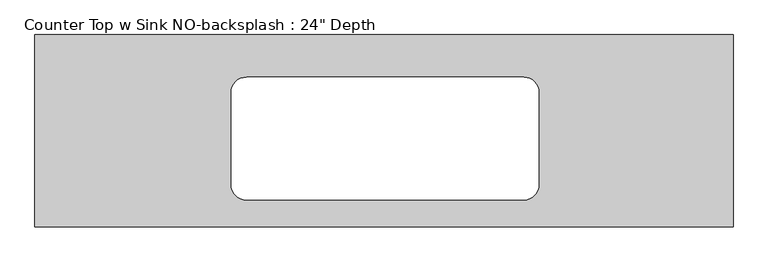
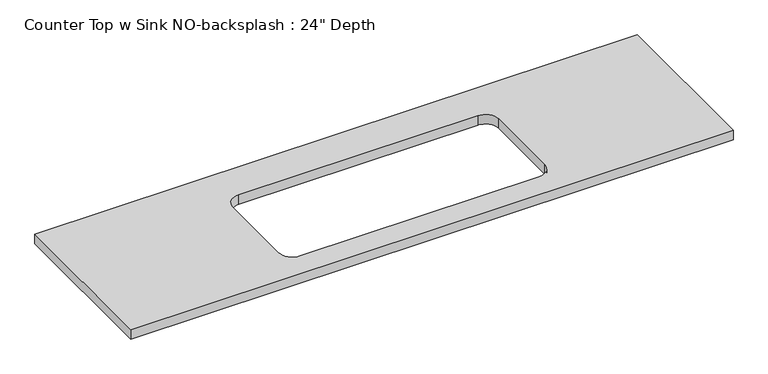
"""IFC4 building model written with IfcOpenShell, lengths in millimetres: furniture geometry."""

import ifcopenshell
import ifcopenshell.guid

model = None  # the IFC model being written
_history = None  # IfcOwnerHistory: only IFC2X3 demands one
_inside = {}  # id of a spatial element -> (the spatial element, [elements in it])
_under = {}  # id of a project, library or spatial element -> (it, [spatial elements below it])
_declared = {}  # id of a project -> (the project, [libraries it declares])
_typed = {}  # id of a type object -> (the type object, [elements of that type])
_made_of = {}  # id of a material, layer set ... -> (it, [elements and type objects made of it])


def new_model(schema):
    """Start an empty IFC model of exactly this schema.

    Asked for "IFC4X3", IfcOpenShell would pick the latest addendum, in which some entities
    have other attributes; the version numbers below select the first issue.
    IFC2X3 requires an IfcOwnerHistory on every rooted entity: one is made here for all.
    """
    global model, _history
    if schema == "IFC4X3":
        model = ifcopenshell.file(schema_version=(4, 3, 0, 0))
    else:
        model = ifcopenshell.file(schema=schema)
    _inside.clear()
    _under.clear()
    _declared.clear()
    _typed.clear()
    _made_of.clear()
    _history = None
    if model.schema == "IFC2X3":
        org = make("IfcOrganization", Name="unknown")
        user = make(
            "IfcPersonAndOrganization",
            ThePerson=make("IfcPerson", FamilyName="unknown"),
            TheOrganization=org,
        )
        app = make(
            "IfcApplication",
            ApplicationDeveloper=org,
            Version="unknown",
            ApplicationFullName="unknown",
            ApplicationIdentifier="unknown",
        )
        _history = make(
            "IfcOwnerHistory",
            OwningUser=user,
            OwningApplication=app,
            ChangeAction="ADDED",
            CreationDate=0,
        )
    return model


def make(cls, **values):
    """One entity of the class cls with the attributes given. An attribute that is None is left unset."""
    return model.create_entity(
        cls, **{name: value for name, value in values.items() if value is not None}
    )


def rooted(cls, **values):
    """An entity with a GlobalId (a new one), such as an element, a storey or a relation."""
    return make(cls, GlobalId=ifcopenshell.guid.new(), OwnerHistory=_history, **values)


def si_unit(unit_type, name, prefix=None):
    """IfcSIUnit, for example si_unit("LENGTHUNIT", "METRE", prefix="MILLI")."""
    return make("IfcSIUnit", UnitType=unit_type, Prefix=prefix, Name=name)


def assignment(units):
    """IfcUnitAssignment: the units of a project."""
    return None if units is None else make("IfcUnitAssignment", Units=units)


def point(xyz):
    """IfcCartesianPoint."""
    return None if xyz is None else make("IfcCartesianPoint", Coordinates=xyz)


def direction(xyz):
    """IfcDirection."""
    return None if xyz is None else make("IfcDirection", DirectionRatios=xyz)


def frame(location, z_axis=None, x_axis=None):
    """IfcAxis2Placement3D, a coordinate frame: its origin and axes. An axis left out is left unset."""
    return make(
        "IfcAxis2Placement3D",
        Location=point(location),
        Axis=direction(z_axis),
        RefDirection=direction(x_axis),
    )


def frame_2d(location, x_axis=None):
    """IfcAxis2Placement2D, a coordinate frame in the plane: its origin and x axis."""
    return make(
        "IfcAxis2Placement2D", Location=point(location), RefDirection=direction(x_axis)
    )


def origin():
    """The frame at (0, 0, 0) with its axes left unset."""
    return frame((0.0, 0.0, 0.0))


def place(relative_to, where):
    """IfcLocalPlacement: puts the frame where relative to a parent placement (None: the world)."""
    return make(
        "IfcLocalPlacement", PlacementRelTo=relative_to, RelativePlacement=where
    )


def context(
    kind, dimensions, precision=None, world=None, true_north=None, identifier=None
):
    """IfcGeometricRepresentationContext, for example the 3D "Model" context."""
    return make(
        "IfcGeometricRepresentationContext",
        ContextIdentifier=identifier,
        ContextType=kind,
        CoordinateSpaceDimension=dimensions,
        Precision=precision,
        WorldCoordinateSystem=world,
        TrueNorth=true_north,
    )


def project(units=None, contexts=None):
    """IfcProject with its units and contexts."""
    return rooted(
        "IfcProject",
        Name="project",
        RepresentationContexts=contexts,
        UnitsInContext=assignment(units),
    )


def spatial(cls, under=None, at=None, **own):
    """A site, building, storey or space (cls), placed at a placement, below another one or the project."""
    s = rooted(cls, ObjectPlacement=at, **own)
    if under is not None:
        _under.setdefault(under.id(), (under, []))[1].append(s)
    return s


def polyline(points):
    """IfcPolyline through the points."""
    return make("IfcPolyline", Points=[point(p) for p in points])


def circle_curve(where, radius):
    """IfcCircle in the frame where."""
    return make("IfcCircle", Position=where, Radius=radius)


def trimmed(basis, trim1, trim2, sense, master):
    """IfcTrimmedCurve: the piece of a basis curve between two trims."""
    return make(
        "IfcTrimmedCurve",
        BasisCurve=basis,
        Trim1=trim1,
        Trim2=trim2,
        SenseAgreement=sense,
        MasterRepresentation=master,
    )


def segment(curve, same_sense, transition):
    """IfcCompositeCurveSegment."""
    return make(
        "IfcCompositeCurveSegment",
        Transition=transition,
        SameSense=same_sense,
        ParentCurve=curve,
    )


def composite_curve(segments, self_intersect=None):
    """IfcCompositeCurve: segments joined end to end."""
    return make("IfcCompositeCurve", Segments=segments, SelfIntersect=self_intersect)


def outline(outer, holes=None, kind="AREA"):
    """IfcArbitraryClosedProfileDef: a profile drawn as a closed curve; with holes, ...WithVoids."""
    if holes is None:
        return make("IfcArbitraryClosedProfileDef", ProfileType=kind, OuterCurve=outer)
    return make(
        "IfcArbitraryProfileDefWithVoids",
        ProfileType=kind,
        OuterCurve=outer,
        InnerCurves=holes,
    )


def extrude(swept, where, along, depth):
    """IfcExtrudedAreaSolid: the profile swept, set in the frame where, extruded along a direction by depth."""
    return make(
        "IfcExtrudedAreaSolid",
        SweptArea=swept,
        Position=where,
        ExtrudedDirection=direction(along),
        Depth=depth,
    )


def shape(context_of_items, identifier, shape_type, items):
    """IfcShapeRepresentation: the items that make up one representation, for example the "Body"."""
    return make(
        "IfcShapeRepresentation",
        ContextOfItems=context_of_items,
        RepresentationIdentifier=identifier,
        RepresentationType=shape_type,
        Items=items,
    )


def source(mapping_origin, context_of_items, identifier, shape_type, items):
    """IfcRepresentationMap: a shape defined once, which mapped items show again and again."""
    return make(
        "IfcRepresentationMap",
        MappingOrigin=mapping_origin,
        MappedRepresentation=shape(context_of_items, identifier, shape_type, items),
    )


def transform(
    local_origin,
    x_axis=None,
    y_axis=None,
    z_axis=None,
    scale=None,
    scale2=None,
    scale3=None,
    uniform=True,
):
    """IfcCartesianTransformationOperator3D, or its non-uniform kind. x_axis, y_axis, z_axis: its Axis1, 2, 3."""
    if uniform:
        return make(
            "IfcCartesianTransformationOperator3D",
            Axis1=direction(x_axis),
            Axis2=direction(y_axis),
            LocalOrigin=point(local_origin),
            Scale=scale,
            Axis3=direction(z_axis),
        )
    return make(
        "IfcCartesianTransformationOperator3DnonUniform",
        Axis1=direction(x_axis),
        Axis2=direction(y_axis),
        LocalOrigin=point(local_origin),
        Scale=scale,
        Axis3=direction(z_axis),
        Scale2=scale2,
        Scale3=scale3,
    )


def mapped(mapping_source, mapping_target):
    """IfcMappedItem: shows the shape of a source again, moved by a transform."""
    return make(
        "IfcMappedItem", MappingSource=mapping_source, MappingTarget=mapping_target
    )


def made_of(thing, what):
    """Note that an element or type object is made of a material, layer set ...; save() writes the relation."""
    if what is not None:
        _made_of.setdefault(what.id(), (what, []))[1].append(thing)
    return thing


def element(
    cls,
    number,
    at=None,
    inside=None,
    cuts=None,
    type_object=None,
    material=None,
    context=None,
    identifier="Body",
    shape_type=None,
    held_by="IfcProductDefinitionShape",
    body=None,
    shapes=None,
    **own,
):
    """One element of the class cls, such as IfcWall. Its Tag is "e" and its number.

    at: its placement. inside: the storey or other place that contains it. cuts: it is an
    opening in that element (IfcRelVoidsElement). A single representation is given by context,
    identifier, shape_type and body (its items); several are given by shapes. held_by: the class
    of the entity that holds the representations. save() writes the other relations.
    """
    e = rooted(cls, Tag="e%d" % number, ObjectPlacement=at, **own)
    if body is not None:
        shapes = [shape(context, identifier, shape_type, body)]
    if shapes is not None:
        e.Representation = make(held_by, Representations=shapes)
    if inside is not None:
        _inside.setdefault(inside.id(), (inside, []))[1].append(e)
    if cuts is not None:
        rooted(
            "IfcRelVoidsElement", RelatingBuildingElement=cuts, RelatedOpeningElement=e
        )
    if type_object is not None:
        _typed.setdefault(type_object.id(), (type_object, []))[1].append(e)
    return made_of(e, material)


def aggregate(whole, parts):
    """IfcRelAggregates: a whole, such as a stair, and the parts it consists of."""
    return rooted("IfcRelAggregates", RelatingObject=whole, RelatedObjects=parts)


def save(model, path):
    """Write the relations noted so far, then the file.

    IfcRelAggregates (storeys below a building ...), IfcRelContainedInSpatialStructure (elements
    in a storey), IfcRelDefinesByType, IfcRelAssociatesMaterial and IfcRelDeclares: one each for
    every whole, place, type object, material and project.
    """
    for whole, parts in _under.values():
        aggregate(whole, parts)
    for where, things in _inside.values():
        rooted(
            "IfcRelContainedInSpatialStructure",
            RelatedElements=things,
            RelatingStructure=where,
        )
    for kind, things in _typed.values():
        rooted("IfcRelDefinesByType", RelatedObjects=things, RelatingType=kind)
    for what, things in _made_of.values():
        rooted("IfcRelAssociatesMaterial", RelatedObjects=things, RelatingMaterial=what)
    for by, libraries in _declared.values():
        rooted("IfcRelDeclares", RelatingContext=by, RelatedDefinitions=libraries)
    model.write(path)


def furniture_e35970b5(model_context):
    return source(origin(), model_context, "Body", "SweptSolid", [
        extrude(outline(polyline([(1104.0046748, 0.0), (1104.0046748, -635.0), (-1200.4622951, -635.0), (-1200.4622951, 0.0), (1104.0046748, 0.0)]), holes=[composite_curve([segment(polyline([(412.4377049, -139.7), (-501.9622951, -139.7)]), True, "CONTINUOUS"), segment(trimmed(circle_curve(frame_2d((-501.9622951, -190.5)), 50.8), [point((-501.9622951, -139.7))], [point((-552.7622951, -190.5))], True, "CARTESIAN"), True, "CONTINUOUS"), segment(polyline([(-552.7622951, -190.5), (-552.7622951, -495.3)]), True, "CONTINUOUS"), segment(trimmed(circle_curve(frame_2d((-501.9622951, -495.3)), 50.8), [point((-552.7622951, -495.3))], [point((-501.9622951, -546.1))], True, "CARTESIAN"), True, "CONTINUOUS"), segment(polyline([(-501.9622951, -546.1), (412.4377049, -546.1)]), True, "CONTINUOUS"), segment(trimmed(circle_curve(frame_2d((412.4377049, -495.3)), 50.8), [point((412.4377049, -546.1))], [point((463.2377049, -495.3))], True, "CARTESIAN"), True, "CONTINUOUS"), segment(polyline([(463.2377049, -495.3), (463.2377049, -190.5)]), True, "CONTINUOUS"), segment(trimmed(circle_curve(frame_2d((412.4377049, -190.5)), 50.8), [point((463.2377049, -190.5))], [point((412.4377049, -139.7))], True, "CARTESIAN"), True, "CONTINUOUS")], self_intersect=False)]), frame((0.0, 0.0, 876.3), z_axis=(0.0, 0.0, 1.0), x_axis=(1.0, 0.0, 0.0)), (0.0, 0.0, 1.0), 38.1),
    ])


if __name__ == "__main__":
    model = new_model("IFC4")
    model_context = context("Model", 3, world=origin())
    ifc_project = project(units=[si_unit("LENGTHUNIT", "METRE", prefix="MILLI")], contexts=[model_context])
    site = spatial("IfcSite", under=ifc_project)
    building = spatial("IfcBuilding", under=site)
    placement = place(None, origin())
    furniture_shape = furniture_e35970b5(model_context)
    element("IfcFurniture", 1, ObjectType="Counter Top w Sink NO-backsplash : 24\" Depth", at=placement, inside=building, context=model_context, shape_type="MappedRepresentation", body=[
        mapped(furniture_shape, transform((0.0, 0.0, 0.0), x_axis=(1.0, 0.0, 0.0), y_axis=(0.0, 1.0, 0.0), z_axis=(0.0, 0.0, 1.0))),
    ])
    save(model, "model.ifc")
